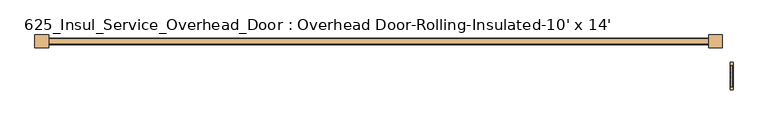
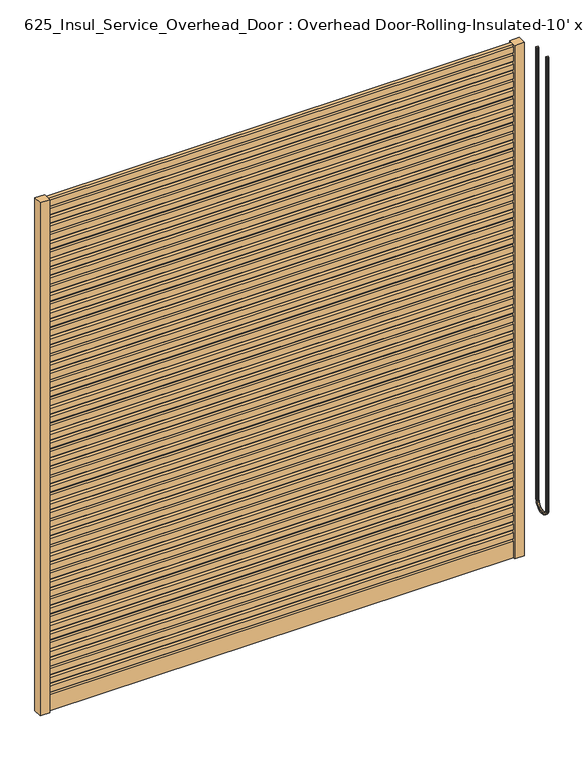
"""IFC4 building model written with IfcOpenShell, lengths in millimetres: door geometry, 625_Insul_Service_Overhead_Door : Overhead Door-Rolling-Insulated-10' x 14'."""

from ifc_helpers import new_model, si_unit, point, frame, origin, origin_with_axes, place, context, project, spatial, polyline, circle_curve, ellipse_curve, trimmed, outline, extrude, source, transform, mapped, element, save
from ifc_brep_helpers import plane_surface, cylinder_surface, revolved_surface, advanced_brep


def door_625_insul_service_overhead_door_overhead_door_rolling_e5a82f82(model_context):
    return source(origin(), model_context, "Body", "SolidModel", [
        advanced_brep(
        [(3640.1375, -1223.6880768, 4267.2), (3638.55, -1222.1005768, 4267.2), (3625.85, -1222.1005768, 4267.2), (3624.2625, -1223.6880768, 4267.2), (3624.2625, -1236.3880768, 4267.2), (3625.85, -1237.9755768, 4267.2), (3638.55, -1237.9755768, 4267.2), (3640.1375, -1236.3880768, 4267.2), (3640.1375, -1223.6880768, 508.0), (3638.55, -1222.1005768, 508.0), (3625.85, -1222.1005768, 508.0), (3624.2625, -1223.6880768, 508.0), (3624.2625, -1099.8630768, 508.0), (3624.2625, -1099.8630768, 4267.2), (3624.2625, -1087.1630768, 4267.2), (3624.2625, -1087.1630768, 508.0), (3624.2625, -1236.3880768, 508.0), (3625.85, -1237.9755768, 508.0), (3638.55, -1237.9755768, 508.0), (3640.1375, -1236.3880768, 508.0), (3640.1375, -1087.1630768, 508.0), (3640.1375, -1087.1630768, 4267.2), (3640.1375, -1099.8630768, 4267.2), (3640.1375, -1099.8630768, 508.0), (3638.55, -1101.4505768, 508.0), (3625.85, -1101.4505768, 508.0), (3625.85, -1085.5755768, 508.0), (3638.55, -1085.5755768, 508.0), (3638.55, -1085.5755768, 4267.2), (3625.85, -1085.5755768, 4267.2), (3625.85, -1101.4505768, 4267.2), (3638.55, -1101.4505768, 4267.2)],
        [
            (0, 1, circle_curve(frame((3638.55, -1223.6880768, 4267.2), z_axis=(0.0, 0.0, 1.0), x_axis=(0.0, -1.0, 0.0)), 1.5875)),
            (1, 2),
            (2, 3, circle_curve(frame((3625.85, -1223.6880768, 4267.2), z_axis=(0.0, 0.0, 1.0), x_axis=(0.0, -1.0, 0.0)), 1.5875)),
            (3, 4),
            (4, 5, circle_curve(frame((3625.85, -1236.3880768, 4267.2), z_axis=(0.0, 0.0, 1.0), x_axis=(0.0, -1.0, 0.0)), 1.5875)),
            (5, 6),
            (6, 7, circle_curve(frame((3638.55, -1236.3880768, 4267.2), z_axis=(0.0, 0.0, 1.0), x_axis=(0.0, -1.0, 0.0)), 1.5875)),
            (7, 0),
            (0, 8),
            (8, 9, circle_curve(frame((3638.55, -1223.6880768, 508.0), z_axis=(0.0, 0.0, 1.0), x_axis=(0.0, -1.0, 0.0)), 1.5875)),
            (9, 1),
            (9, 10),
            (10, 2),
            (10, 11, circle_curve(frame((3625.85, -1223.6880768, 508.0), z_axis=(0.0, 0.0, 1.0), x_axis=(0.0, -1.0, 0.0)), 1.5875)),
            (11, 3),
            (11, 12, circle_curve(frame((3624.2625, -1161.7755768, 508.0), z_axis=(1.0, 0.0, 0.0), x_axis=(0.0, -1.0, 0.0)), 61.9125)),
            (12, 13),
            (13, 14),
            (14, 15),
            (15, 16, circle_curve(frame((3624.2625, -1161.7755768, 508.0), z_axis=(-1.0, 0.0, 0.0), x_axis=(0.0, -1.0, 0.0)), 74.6125)),
            (16, 4),
            (16, 17, circle_curve(frame((3625.85, -1236.3880768, 508.0), z_axis=(0.0, 0.0, 1.0), x_axis=(0.0, -1.0, 0.0)), 1.5875)),
            (17, 5),
            (17, 18),
            (18, 6),
            (18, 19, circle_curve(frame((3638.55, -1236.3880768, 508.0), z_axis=(0.0, 0.0, 1.0), x_axis=(0.0, -1.0, 0.0)), 1.5875)),
            (19, 7),
            (19, 20, circle_curve(frame((3640.1375, -1161.7755768, 508.0), z_axis=(1.0, 0.0, 0.0), x_axis=(0.0, -1.0, 0.0)), 74.6125)),
            (20, 21),
            (21, 22),
            (22, 23),
            (23, 8, circle_curve(frame((3640.1375, -1161.7755768, 508.0), z_axis=(-1.0, 0.0, 0.0), x_axis=(0.0, -1.0, 0.0)), 61.9125)),
            (24, 9, circle_curve(frame((3638.55, -1161.7755768, 508.0), z_axis=(-1.0, 0.0, 0.0), x_axis=(0.0, -1.0, 0.0)), 60.325)),
            (23, 24, circle_curve(frame((3638.55, -1099.8630768, 508.0), z_axis=(0.0, 0.0, -1.0), x_axis=(0.0, 1.0, 0.0)), 1.5875)),
            (25, 10, circle_curve(frame((3625.85, -1161.7755768, 508.0), z_axis=(-1.0, 0.0, 0.0), x_axis=(0.0, -1.0, 0.0)), 60.325)),
            (24, 25),
            (25, 12, circle_curve(frame((3625.85, -1099.8630768, 508.0), z_axis=(0.0, 0.0, -1.0), x_axis=(0.0, 1.0, 0.0)), 1.5875)),
            (26, 17, circle_curve(frame((3625.85, -1161.7755768, 508.0), z_axis=(-1.0, 0.0, 0.0), x_axis=(0.0, -1.0, 0.0)), 76.2)),
            (15, 26, circle_curve(frame((3625.85, -1087.1630768, 508.0), z_axis=(0.0, 0.0, -1.0), x_axis=(0.0, 1.0, 0.0)), 1.5875)),
            (27, 18, circle_curve(frame((3638.55, -1161.7755768, 508.0), z_axis=(-1.0, 0.0, 0.0), x_axis=(0.0, -1.0, 0.0)), 76.2)),
            (26, 27),
            (27, 20, circle_curve(frame((3638.55, -1087.1630768, 508.0), z_axis=(0.0, 0.0, -1.0), x_axis=(0.0, 1.0, 0.0)), 1.5875)),
            (21, 28, circle_curve(frame((3638.55, -1087.1630768, 4267.2), z_axis=(0.0, 0.0, 1.0), x_axis=(0.0, 1.0, 0.0)), 1.5875)),
            (28, 29),
            (29, 14, circle_curve(frame((3625.85, -1087.1630768, 4267.2), z_axis=(0.0, 0.0, 1.0), x_axis=(0.0, 1.0, 0.0)), 1.5875)),
            (13, 30, circle_curve(frame((3625.85, -1099.8630768, 4267.2), z_axis=(0.0, 0.0, 1.0), x_axis=(0.0, 1.0, 0.0)), 1.5875)),
            (30, 31),
            (31, 22, circle_curve(frame((3638.55, -1099.8630768, 4267.2), z_axis=(0.0, 0.0, 1.0), x_axis=(0.0, 1.0, 0.0)), 1.5875)),
            (31, 24),
            (30, 25),
            (29, 26),
            (28, 27),
        ],
        [
            plane_surface(frame((3632.2, -1237.9755768, 4267.2), z_axis=(0.0, 0.0, 1.0), x_axis=(-1.0, 0.0, 0.0))),
            cylinder_surface(frame((3638.55, -1223.6880768, 4267.2), z_axis=(0.0, 0.0, 1.0), x_axis=(0.0, -1.0, 0.0)), 1.5875),
            plane_surface(frame((3638.55, -1222.1005768, 4267.2), z_axis=(0.0, 1.0, 0.0), x_axis=(0.0, 0.0, -1.0))),
            cylinder_surface(frame((3625.85, -1223.6880768, 4267.2), z_axis=(0.0, 0.0, 1.0), x_axis=(0.0, -1.0, 0.0)), 1.5875),
            plane_surface(frame((3624.2625, -1223.6880768, 4267.2), z_axis=(-1.0, 0.0, 0.0), x_axis=(0.0, 0.0, -1.0))),
            cylinder_surface(frame((3625.85, -1236.3880768, 4267.2), z_axis=(0.0, 0.0, 1.0), x_axis=(0.0, -1.0, 0.0)), 1.5875),
            plane_surface(frame((3625.85, -1237.9755768, 4267.2), z_axis=(0.0, -1.0, 0.0), x_axis=(0.0, 0.0, -1.0))),
            cylinder_surface(frame((3638.55, -1236.3880768, 4267.2), z_axis=(0.0, 0.0, 1.0), x_axis=(0.0, -1.0, 0.0)), 1.5875),
            plane_surface(frame((3640.1375, -1236.3880768, 4267.2), z_axis=(1.0, 0.0, 0.0), x_axis=(0.0, 0.0, -1.0))),
            revolved_surface(trimmed(ellipse_curve(frame((3638.55, -1223.6880768, 508.0), z_axis=(0.0, 0.0, 1.0), x_axis=(0.0, -1.0, 0.0)), 1.5875, 1.5875), [point((3640.1375, -1223.6880768, 508.0))], [point((3638.55, -1222.1005768, 508.0))], True, "CARTESIAN"), (3632.2, -1161.7755768, 508.0), (1.0, 0.0, 0.0)),
            revolved_surface(polyline([(3638.55, -1222.1005768, 508.0), (3625.85, -1222.1005768, 508.0)]), (3632.2, -1161.7755768, 508.0), (1.0, 0.0, 0.0)),
            revolved_surface(trimmed(ellipse_curve(frame((3625.85, -1223.6880768, 508.0), z_axis=(0.0, 0.0, 1.0), x_axis=(0.0, -1.0, 0.0)), 1.5875, 1.5875), [point((3625.85, -1222.1005768, 508.0))], [point((3624.2625, -1223.6880768, 508.0))], True, "CARTESIAN"), (3632.2, -1161.7755768, 508.0), (1.0, 0.0, 0.0)),
            revolved_surface(trimmed(ellipse_curve(frame((3625.85, -1236.3880768, 508.0), z_axis=(0.0, 0.0, 1.0), x_axis=(0.0, -1.0, 0.0)), 1.5875, 1.5875), [point((3624.2625, -1236.3880768, 508.0))], [point((3625.85, -1237.9755768, 508.0))], True, "CARTESIAN"), (3632.2, -1161.7755768, 508.0), (1.0, 0.0, 0.0)),
            cylinder_surface(frame((3632.2, -1161.7755768, 508.0), z_axis=(1.0, 0.0, 0.0), x_axis=(0.0, -1.0, 0.0)), 76.2),
            revolved_surface(trimmed(ellipse_curve(frame((3638.55, -1236.3880768, 508.0), z_axis=(0.0, 0.0, 1.0), x_axis=(0.0, -1.0, 0.0)), 1.5875, 1.5875), [point((3638.55, -1237.9755768, 508.0))], [point((3640.1375, -1236.3880768, 508.0))], True, "CARTESIAN"), (3632.2, -1161.7755768, 508.0), (1.0, 0.0, 0.0)),
            plane_surface(frame((3632.2, -1085.5755768, 4267.2), z_axis=(0.0, 0.0, 1.0), x_axis=(-1.0, 0.0, 0.0))),
            cylinder_surface(frame((3638.55, -1099.8630768, 508.0), z_axis=(0.0, 0.0, -1.0), x_axis=(0.0, 1.0, 0.0)), 1.5875),
            plane_surface(frame((3638.55, -1101.4505768, 508.0), z_axis=(0.0, -1.0, 0.0), x_axis=(0.0, 0.0, 1.0))),
            cylinder_surface(frame((3625.85, -1099.8630768, 508.0), z_axis=(0.0, 0.0, -1.0), x_axis=(0.0, 1.0, 0.0)), 1.5875),
            cylinder_surface(frame((3625.85, -1087.1630768, 508.0), z_axis=(0.0, 0.0, -1.0), x_axis=(0.0, 1.0, 0.0)), 1.5875),
            plane_surface(frame((3625.85, -1085.5755768, 508.0), z_axis=(0.0, 1.0, 0.0), x_axis=(0.0, 0.0, 1.0))),
            cylinder_surface(frame((3638.55, -1087.1630768, 508.0), z_axis=(0.0, 0.0, -1.0), x_axis=(0.0, 1.0, 0.0)), 1.5875),
        ],
        [
            (0, [[1, 2, 3, 4, 5, 6, 7, 8]]),
            (1, [[-1, 9, 10, 11]]),
            (2, [[-2, -11, 12, 13]]),
            (3, [[-3, -13, 14, 15]]),
            (4, [[-4, -15, 16, 17, 18, 19, 20, 21]]),
            (5, [[-5, -21, 22, 23]]),
            (6, [[-6, -23, 24, 25]]),
            (7, [[-7, -25, 26, 27]]),
            (8, [[-8, -27, 28, 29, 30, 31, 32, -9]]),
            (9, [[33, -10, -32, 34]]),
            (10, [[35, -12, -33, 36]]),
            (11, [[-16, -14, -35, 37]]),
            (12, [[38, -22, -20, 39]]),
            (13, [[40, -24, -38, 41]]),
            (14, [[-28, -26, -40, 42]]),
            (15, [[-30, 43, 44, 45, -18, 46, 47, 48]]),
            (16, [[-34, -31, -48, 49]]),
            (17, [[-36, -49, -47, 50]]),
            (18, [[-37, -50, -46, -17]]),
            (19, [[-39, -19, -45, 51]]),
            (20, [[-41, -51, -44, 52]]),
            (21, [[-42, -52, -43, -29]]),
        ],
    ),
        extrude(outline(polyline([(-228.6, -933.2031809), (-152.4, -933.2031809), (-152.4, -1003.0531809), (-228.6, -1003.0531809), (-228.6, -933.2031809)])), origin_with_axes(), (0.0, 0.0, 1.0), 4267.2),
        extrude(outline(polyline([(3581.4, -933.2031809), (3581.4, -1003.0531809), (3505.2, -1003.0531809), (3505.2, -933.2031809), (3581.4, -933.2031809)])), origin_with_axes(), (0.0, 0.0, 1.0), 4267.2),
        extrude(outline(polyline([(-962.3771667, 145.6494217), (-950.5940662, 133.761838), (-950.5940662, 0.0), (-985.6622955, 0.0), (-985.6622955, 133.761838), (-973.879195, 145.6494217), (-985.6622955, 157.5370054), (-985.6622955, 205.6925895), (-973.879195, 217.5801731), (-985.6622955, 229.4677568), (-985.6622955, 277.6233409), (-973.879195, 289.5109246), (-985.6622955, 301.3985082), (-985.6622955, 349.5540924), (-973.6233995, 361.6997397), (-985.6622955, 373.8453871), (-985.6622955, 422.0009712), (-973.6233995, 434.1466186), (-985.6622955, 446.2922659), (-985.6622955, 494.44785), (-973.879195, 506.3354337), (-985.6622955, 518.2230174), (-985.6622955, 566.3786015), (-973.6233995, 578.5242489), (-985.6622955, 590.6698962), (-985.6622955, 638.8254803), (-973.879195, 650.713064), (-985.6622955, 662.6006477), (-985.6622955, 710.7562318), (-973.879195, 722.6438154), (-985.6622955, 734.5313991), (-985.6622955, 782.6869832), (-973.6233995, 794.8326306), (-985.6622955, 806.978278), (-985.6622955, 855.1338621), (-973.6233995, 867.2795094), (-985.6622955, 879.4251568), (-985.6622955, 927.5807409), (-973.879195, 939.4683246), (-985.6622955, 951.3559082), (-985.6622955, 999.5114924), (-973.6233995, 1011.6571397), (-985.6622955, 1023.8027871), (-985.6622955, 1071.9583712), (-973.879195, 1083.8459549), (-985.6622955, 1095.7335385), (-985.6622955, 1143.8891227), (-973.879195, 1155.7767063), (-985.6622955, 1167.66429), (-985.6622955, 1215.8198741), (-973.6233995, 1227.9655215), (-985.6622955, 1240.1111688), (-985.6622955, 1288.2667529), (-973.6233995, 1300.4124003), (-985.6622955, 1312.5580477), (-985.6622955, 1360.7136318), (-973.879195, 1372.6012154), (-985.6622955, 1384.4887991), (-985.6622955, 1432.6443832), (-973.6233995, 1444.7900306), (-985.6622955, 1456.935678), (-985.6622955, 1505.0912621), (-973.879195, 1516.9788457), (-985.6622955, 1528.8664294), (-985.6622955, 1577.0220135), (-973.879195, 1588.9095972), (-985.6622955, 1600.7971808), (-985.6622955, 1648.952765), (-973.6233995, 1661.0984123), (-985.6622955, 1673.2440597), (-985.6622955, 1721.3996438), (-973.6233995, 1733.5452912), (-985.6622955, 1745.6909385), (-985.6622955, 1793.8465227), (-973.879195, 1805.7341063), (-985.6622955, 1817.62169), (-985.6622955, 1865.7772741), (-973.6233995, 1877.9229215), (-985.6622955, 1890.0685688), (-985.6622955, 1938.2241529), (-973.879195, 1950.1117366), (-985.6622955, 1961.9993203), (-985.6622955, 2010.1549044), (-973.879195, 2022.0424881), (-985.6622955, 2033.9300717), (-985.6622955, 2082.0856558), (-973.6233995, 2094.2313032), (-985.6622955, 2106.3769506), (-985.6622955, 2154.5325347), (-973.6233995, 2166.678182), (-985.6622955, 2178.8238294), (-985.6622955, 2226.9794135), (-973.879195, 2238.8669972), (-985.6622955, 2250.7545808), (-985.6622955, 2298.910165), (-973.6233995, 2311.0558123), (-985.6622955, 2323.2014597), (-985.6622955, 2371.3570438), (-973.879195, 2383.2446275), (-985.6622955, 2395.1322111), (-985.6622955, 2443.2877953), (-973.879195, 2455.1753789), (-985.6622955, 2467.0629626), (-985.6622955, 2515.2185467), (-973.6233995, 2527.3641941), (-985.6622955, 2539.5098414), (-985.6622955, 2587.6654255), (-973.6233995, 2599.8110729), (-985.6622955, 2611.9567203), (-985.6622955, 2660.1123044), (-973.879195, 2671.9998881), (-985.6622955, 2683.8874717), (-985.6622955, 2732.0430558), (-973.6233995, 2744.1887032), (-985.6622955, 2756.3343506), (-985.6622955, 2804.4899347), (-973.879195, 2816.3775183), (-985.6622955, 2828.265102), (-985.6622955, 2876.4206861), (-973.879195, 2888.3082698), (-985.6622955, 2900.1958535), (-985.6622955, 2948.3514376), (-973.6233995, 2960.4970849), (-985.6622955, 2972.6427323), (-985.6622955, 3020.7983164), (-973.6233995, 3032.9439638), (-985.6622955, 3045.0896111), (-985.6622955, 3093.2451953), (-973.879195, 3105.1327789), (-985.6622955, 3117.0203626), (-985.6622955, 3165.1759467), (-973.6233995, 3177.3215941), (-985.6622955, 3189.4672414), (-985.6622955, 3237.6228255), (-973.879195, 3249.5104092), (-985.6622955, 3261.3979929), (-985.6622955, 3309.553577), (-973.879195, 3321.4411607), (-985.6622955, 3333.3287443), (-985.6622955, 3381.4843284), (-973.6233995, 3393.6299758), (-985.6622955, 3405.7756232), (-985.6622955, 3453.9312073), (-973.6233995, 3466.0768546), (-985.6622955, 3478.222502), (-985.6622955, 3526.3780861), (-973.879195, 3538.2656698), (-985.6622955, 3550.1532535), (-985.6622955, 3598.3088376), (-973.6233995, 3610.4544849), (-985.6622955, 3622.6001323), (-985.6622955, 3670.239589), (-973.879195, 3682.1271727), (-985.6622955, 3694.0147563), (-985.6622955, 3742.1703405), (-973.879195, 3754.0579241), (-985.6622955, 3765.9455078), (-985.6622955, 3814.1010919), (-973.6233995, 3826.2467393), (-985.6622955, 3838.3923866), (-985.6622955, 3886.5479708), (-973.6233995, 3898.6936181), (-985.6622955, 3910.8392655), (-985.6622955, 3958.9948496), (-973.879195, 3970.8824333), (-985.6622955, 3982.7700169), (-985.6622955, 4030.925601), (-973.6233995, 4043.0712484), (-985.6622955, 4055.2168958), (-985.6622955, 4103.3724799), (-973.879195, 4115.2600635), (-985.6622955, 4127.1476472), (-985.6622955, 4175.3032313), (-973.879195, 4187.190815), (-985.6622955, 4199.0783987), (-985.6622955, 4247.2339828), (-973.6233995, 4259.3796301), (-981.3750341, 4267.2), (-954.8813277, 4267.2), (-962.6329622, 4259.3796301), (-950.5940662, 4247.2339828), (-950.5940662, 4199.0783987), (-962.3771667, 4187.190815), (-950.5940662, 4175.3032313), (-950.5940662, 4127.1476472), (-962.3771667, 4115.2600635), (-950.5940662, 4103.3724799), (-950.5940662, 4055.2168958), (-962.6329622, 4043.0712484), (-950.5940662, 4030.925601), (-950.5940662, 3982.7700169), (-962.3771667, 3970.8824333), (-950.5940662, 3958.9948496), (-950.5940662, 3910.8392655), (-962.6329622, 3898.6936181), (-950.5940662, 3886.5479708), (-950.5940662, 3838.3923866), (-962.6329622, 3826.2467393), (-950.5940662, 3814.1010919), (-950.5940662, 3765.9455078), (-962.3771667, 3754.0579241), (-950.5940662, 3742.1703405), (-950.5940662, 3694.0147563), (-962.3771667, 3682.1271727), (-950.5940662, 3670.239589), (-950.5940662, 3622.6001323), (-962.6329622, 3610.4544849), (-950.5940662, 3598.3088376), (-950.5940662, 3550.1532535), (-962.3771667, 3538.2656698), (-950.5940662, 3526.3780861), (-950.5940662, 3478.222502), (-962.6329622, 3466.0768546), (-950.5940662, 3453.9312073), (-950.5940662, 3405.7756232), (-962.6329622, 3393.6299758), (-950.5940662, 3381.4843284), (-950.5940662, 3333.3287443), (-962.3771667, 3321.4411607), (-950.5940662, 3309.553577), (-950.5940662, 3261.3979929), (-962.3771667, 3249.5104092), (-950.5940662, 3237.6228255), (-950.5940662, 3189.4672414), (-962.6329622, 3177.3215941), (-950.5940662, 3165.1759467), (-950.5940662, 3117.0203626), (-962.3771667, 3105.1327789), (-950.5940662, 3093.2451953), (-950.5940662, 3045.0896111), (-962.6329622, 3032.9439638), (-950.5940662, 3020.7983164), (-950.5940662, 2972.6427323), (-962.6329622, 2960.4970849), (-950.5940662, 2948.3514376), (-950.5940662, 2900.1958535), (-962.3771667, 2888.3082698), (-950.5940662, 2876.4206861), (-950.5940662, 2828.265102), (-962.3771667, 2816.3775183), (-950.5940662, 2804.4899347), (-950.5940662, 2756.3343506), (-962.6329622, 2744.1887032), (-950.5940662, 2732.0430558), (-950.5940662, 2683.8874717), (-962.3771667, 2671.9998881), (-950.5940662, 2660.1123044), (-950.5940662, 2611.9567203), (-962.6329622, 2599.8110729), (-950.5940662, 2587.6654255), (-950.5940662, 2539.5098414), (-962.6329622, 2527.3641941), (-950.5940662, 2515.2185467), (-950.5940662, 2467.0629626), (-962.3771667, 2455.1753789), (-950.5940662, 2443.2877953), (-950.5940662, 2395.1322111), (-962.3771667, 2383.2446275), (-950.5940662, 2371.3570438), (-950.5940662, 2323.2014597), (-962.6329622, 2311.0558123), (-950.5940662, 2298.910165), (-950.5940662, 2250.7545808), (-962.3771667, 2238.8669972), (-950.5940662, 2226.9794135), (-950.5940662, 2178.8238294), (-962.6329622, 2166.678182), (-950.5940662, 2154.5325347), (-950.5940662, 2106.3769506), (-962.6329622, 2094.2313032), (-950.5940662, 2082.0856558), (-950.5940662, 2033.9300717), (-962.3771667, 2022.0424881), (-950.5940662, 2010.1549044), (-950.5940662, 1961.9993203), (-962.3771667, 1950.1117366), (-950.5940662, 1938.2241529), (-950.5940662, 1890.0685688), (-962.6329622, 1877.9229215), (-950.5940662, 1865.7772741), (-950.5940662, 1817.62169), (-962.3771667, 1805.7341063), (-950.5940662, 1793.8465227), (-950.5940662, 1745.6909385), (-962.6329622, 1733.5452912), (-950.5940662, 1721.3996438), (-950.5940662, 1673.2440597), (-962.6329622, 1661.0984123), (-950.5940662, 1648.952765), (-950.5940662, 1600.7971808), (-962.3771667, 1588.9095972), (-950.5940662, 1577.0220135), (-950.5940662, 1528.8664294), (-962.3771667, 1516.9788457), (-950.5940662, 1505.0912621), (-950.5940662, 1456.935678), (-962.6329622, 1444.7900306), (-950.5940662, 1432.6443832), (-950.5940662, 1384.4887991), (-962.3771667, 1372.6012154), (-950.5940662, 1360.7136318), (-950.5940662, 1312.5580477), (-962.6329622, 1300.4124003), (-950.5940662, 1288.2667529), (-950.5940662, 1240.1111688), (-962.6329622, 1227.9655215), (-950.5940662, 1215.8198741), (-950.5940662, 1167.66429), (-962.3771667, 1155.7767063), (-950.5940662, 1143.8891227), (-950.5940662, 1095.7335385), (-962.3771667, 1083.8459549), (-950.5940662, 1071.9583712), (-950.5940662, 1023.8027871), (-962.6329622, 1011.6571397), (-950.5940662, 999.5114924), (-950.5940662, 951.3559082), (-962.3771667, 939.4683246), (-950.5940662, 927.5807409), (-950.5940662, 879.4251568), (-962.6329622, 867.2795094), (-950.5940662, 855.1338621), (-950.5940662, 806.978278), (-962.6329622, 794.8326306), (-950.5940662, 782.6869832), (-950.5940662, 734.5313991), (-962.3771667, 722.6438154), (-950.5940662, 710.7562318), (-950.5940662, 662.6006477), (-962.3771667, 650.713064), (-950.5940662, 638.8254803), (-950.5940662, 590.6698962), (-962.6329622, 578.5242489), (-950.5940662, 566.3786015), (-950.5940662, 518.2230174), (-962.3771667, 506.3354337), (-950.5940662, 494.44785), (-950.5940662, 446.2922659), (-962.6329622, 434.1466186), (-950.5940662, 422.0009712), (-950.5940662, 373.8453871), (-962.6329622, 361.6997397), (-950.5940662, 349.5540924), (-950.5940662, 301.3985082), (-962.3771667, 289.5109246), (-950.5940662, 277.6233409), (-950.5940662, 229.4677568), (-962.3771667, 217.5801731), (-950.5940662, 205.6925895), (-950.5940662, 157.5370054), (-962.3771667, 145.6494217)])), frame((-152.4, 0.0, 0.0), z_axis=(1.0, 0.0, 0.0), x_axis=(0.0, 1.0, 0.0)), (0.0, 0.0, 1.0), 3657.6),
    ])


if __name__ == "__main__":
    model = new_model("IFC4")
    model_context = context("Model", 3, world=origin())
    ifc_project = project(units=[si_unit("LENGTHUNIT", "METRE", prefix="MILLI")], contexts=[model_context])
    site = spatial("IfcSite", under=ifc_project)
    building = spatial("IfcBuilding", under=site)
    placement = place(None, origin())
    door_625_insul_service_overhead_door_overhead_door_rolling_shape = door_625_insul_service_overhead_door_overhead_door_rolling_e5a82f82(model_context)
    element("IfcDoor", 1, ObjectType="625_Insul_Service_Overhead_Door : Overhead Door-Rolling-Insulated-10' x 14'", at=placement, inside=building, context=model_context, shape_type="MappedRepresentation", body=[
        mapped(door_625_insul_service_overhead_door_overhead_door_rolling_shape, transform((0.0, 0.0, 0.0), x_axis=(1.0, 0.0, 0.0), y_axis=(0.0, 1.0, 0.0), z_axis=(0.0, 0.0, 1.0))),
    ])
    save(model, "model.ifc")
